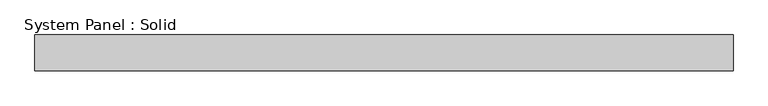
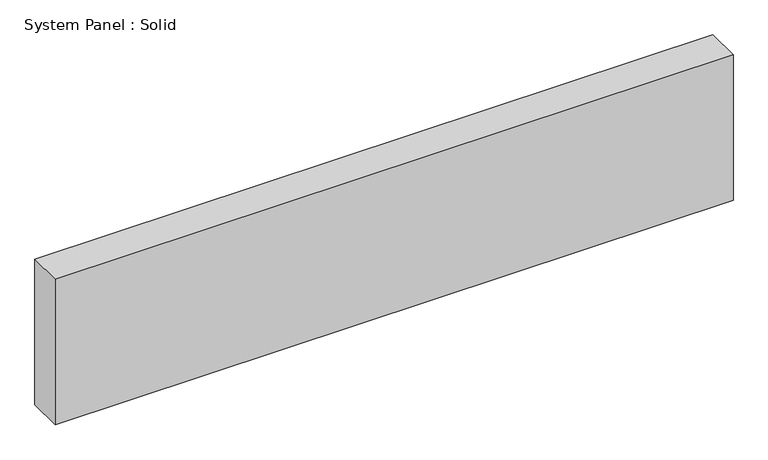
"""IFC4 building model written with IfcOpenShell, lengths in millimetres: plate geometry, System Panel : Solid."""

from ifc_helpers import new_model, si_unit, origin, origin_with_axes, place, context, project, spatial, polyline, outline, extrude, source, transform, mapped, element, save


def system_panel_solid_cb59bca8(model_context):
    return source(origin(), model_context, "Body", "SweptSolid", [
        extrude(outline(polyline([(615.95, -44.45), (-615.95, -44.45), (-615.95, 19.05), (615.95, 19.05), (615.95, -44.45)])), origin_with_axes(), (0.0, 0.0, 1.0), 279.4),
    ])


if __name__ == "__main__":
    model = new_model("IFC4")
    model_context = context("Model", 3, world=origin())
    ifc_project = project(units=[si_unit("LENGTHUNIT", "METRE", prefix="MILLI")], contexts=[model_context])
    site = spatial("IfcSite", under=ifc_project)
    building = spatial("IfcBuilding", under=site)
    placement = place(None, origin())
    system_panel_solid_shape = system_panel_solid_cb59bca8(model_context)
    element("IfcPlate", 1, ObjectType="System Panel : Solid", at=placement, inside=building, context=model_context, shape_type="MappedRepresentation", body=[
        mapped(system_panel_solid_shape, transform((0.0, 0.0, 0.0), x_axis=(1.0, 0.0, 0.0), y_axis=(0.0, 1.0, 0.0), z_axis=(0.0, 0.0, 1.0))),
    ])
    save(model, "model.ifc")
